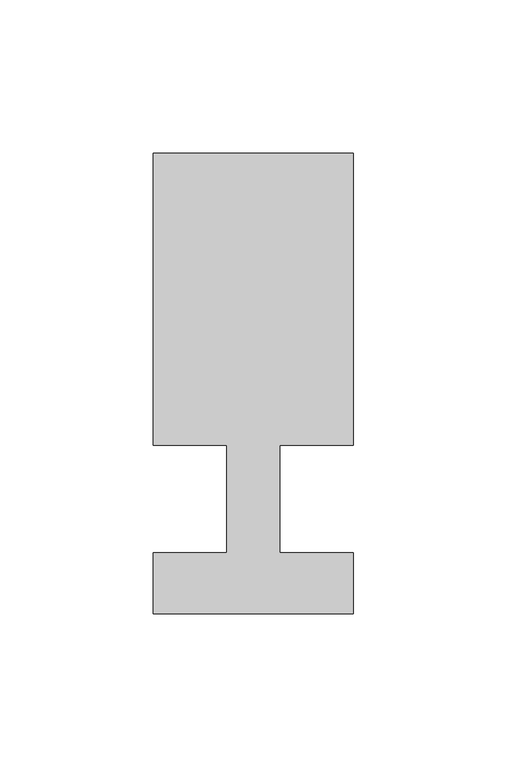
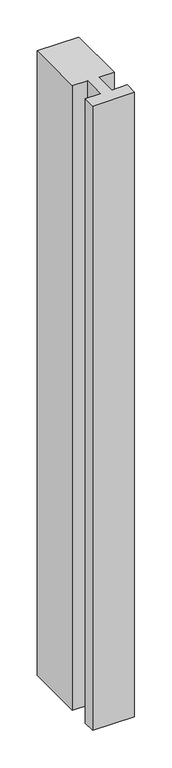
"""IFC4 building model written with IfcOpenShell, lengths in millimetres: member geometry."""

from ifc_helpers import new_model, si_unit, frame, origin, place, context, project, spatial, polyline, outline, extrude, source, transform, mapped, element, save


def member_138f275b(model_context):
    return source(origin(), model_context, "Body", "SweptSolid", [
        extrude(outline(polyline([(0.0, -37.0), (-65.0, -37.0), (-65.0, -17.0), (-41.1875, -17.0), (-41.1875, 18.0), (-65.0, 18.0), (-65.0, 113.0), (0.0, 113.0), (0.0, 18.0), (-23.8125, 18.0), (-23.8125, -17.0), (0.0, -17.0), (0.0, -37.0)])), frame((0.0, 0.0, -1028.2142857), z_axis=(0.0, 0.0, 1.0), x_axis=(1.0, 0.0, 0.0)), (0.0, 0.0, 1.0), 1028.2142857),
    ])


if __name__ == "__main__":
    model = new_model("IFC4")
    model_context = context("Model", 3, world=origin())
    ifc_project = project(units=[si_unit("LENGTHUNIT", "METRE", prefix="MILLI")], contexts=[model_context])
    site = spatial("IfcSite", under=ifc_project)
    building = spatial("IfcBuilding", under=site)
    placement = place(None, origin())
    member_shape = member_138f275b(model_context)
    element("IfcMember", 1, at=placement, inside=building, context=model_context, shape_type="MappedRepresentation", body=[
        mapped(member_shape, transform((0.0, 0.0, 0.0), x_axis=(1.0, 0.0, 0.0), y_axis=(0.0, 1.0, 0.0), z_axis=(0.0, 0.0, 1.0))),
    ])
    save(model, "model.ifc")
